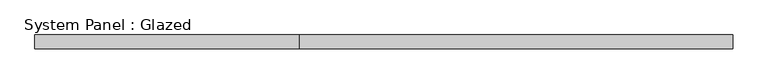
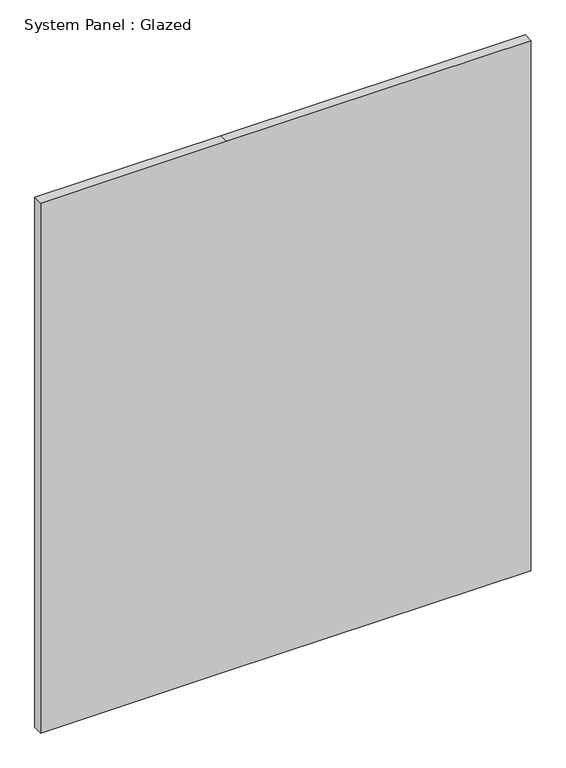
"""IFC4 building model written with IfcOpenShell, lengths in millimetres: plate geometry, System Panel : Glazed."""

from ifc_helpers import new_model, si_unit, frame, origin, place, context, project, spatial, polyline, outline, extrude, source, transform, mapped, element, save


def system_panel_glazed_2f15f883(model_context):
    return source(origin(), model_context, "Body", "SweptSolid", [
        extrude(outline(polyline([(0.0, -634.2202525), (0.0, -153.1797475), (0.0, 634.2202525), (1447.8, 634.2202525), (1447.8, -153.1797475), (1447.8, -634.2202525), (0.0, -634.2202525)])), frame((0.0, 19.05, 0.0), z_axis=(0.0, 1.0, 0.0), x_axis=(0.0, 0.0, 1.0)), (0.0, 0.0, 1.0), 25.4),
    ])


if __name__ == "__main__":
    model = new_model("IFC4")
    model_context = context("Model", 3, world=origin())
    ifc_project = project(units=[si_unit("LENGTHUNIT", "METRE", prefix="MILLI")], contexts=[model_context])
    site = spatial("IfcSite", under=ifc_project)
    building = spatial("IfcBuilding", under=site)
    placement = place(None, origin())
    system_panel_glazed_shape = system_panel_glazed_2f15f883(model_context)
    element("IfcPlate", 1, ObjectType="System Panel : Glazed", at=placement, inside=building, context=model_context, shape_type="MappedRepresentation", body=[
        mapped(system_panel_glazed_shape, transform((0.0, 0.0, 0.0), x_axis=(1.0, 0.0, 0.0), y_axis=(0.0, 1.0, 0.0), z_axis=(0.0, 0.0, 1.0))),
    ])
    save(model, "model.ifc")
